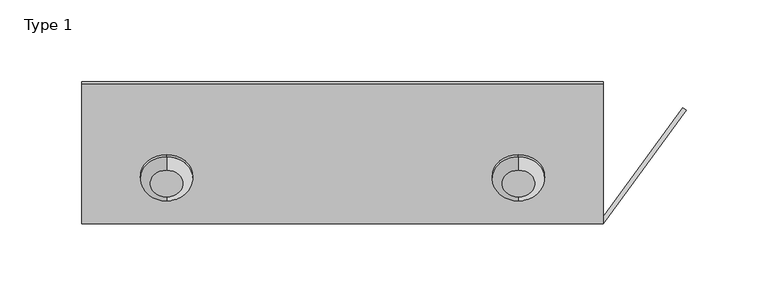
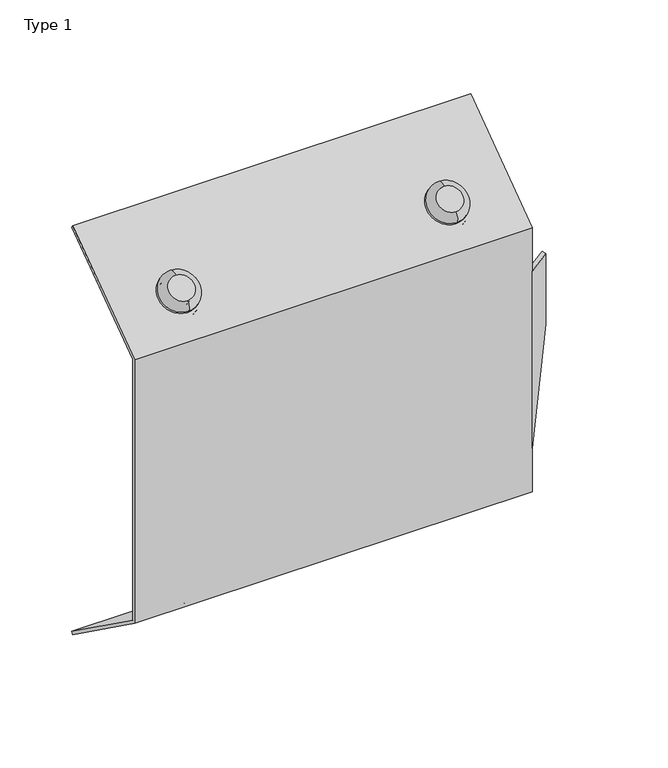
"""IFC4 building model written with IfcOpenShell, lengths in millimetres: proxy geometry, Type 1."""

from ifc_helpers import new_model, si_unit, point, frame, origin, place, context, project, spatial, polyline, circle_curve, ellipse_curve, trimmed, source, transform, mapped, element, save
from ifc_brep_helpers import plane_surface, cylinder_surface, revolved_surface, advanced_brep


def type_1_75f465eb(model_context):
    return source(origin(), model_context, "Body", "AdvancedBrep", [
        advanced_brep(
        [(-108.0, -66.6266077, 416.7690199), (-108.0, -37.4268403, 437.8254579), (-100.0, -42.0043853, 434.5245141), (-116.0, -42.0043853, 434.5245141), (-124.0, -50.810067, 428.1745905), (-116.0, -62.0490628, 420.0699637), (-100.0, -62.0490628, 420.0699637), (-92.0, -52.026724, 427.2972389), (-108.0, -67.7964099, 418.3912292), (-108.0, -38.5966424, 439.4476672), (-108.0, -62.5242296, 422.193086), (-108.0, -43.8688226, 435.6458103), (-108.0, -42.6990205, 434.023601), (-108.0, -61.3544275, 420.5708767), (-108.0, -46.8020265, 402.9550423), (-108.0, -30.5799334, 414.6530634), (-108.0, -35.7270627, 421.7907843), (-108.0, -51.9491558, 410.0927632), (-108.0, -64.3490581, 427.2881818), (-108.0, -60.1377705, 421.4482283), (-108.0, -43.9156775, 433.1462494), (-108.0, -48.1269651, 438.9862029), (-116.0, -33.8157705, 423.1690489), (-100.0, -33.8157705, 423.1690489), (-92.0, -43.8381092, 415.9417738), (-100.0, -53.860448, 408.7144986), (-116.0, -53.860448, 408.7144986), (-124.0, -42.6214523, 416.8191253), (-108.0, -52.8061736, 445.4750401), (-108.0, -69.0282666, 433.777019), (-108.0, -69.215686, 423.7787755), (-108.0, -43.2603372, 442.4956093), (-108.0, -44.4301393, 444.1178186), (-108.0, -70.3854882, 425.4009848)],
        [
            (0, 1, circle_curve(frame((-108.0, -52.026724, 427.2972389), z_axis=(0.0, 0.5849010554194636, -0.8111046513053649), x_axis=(0.0, 0.8111046513053649, 0.5849010554194636)), 18.0)),
            (1, 0, circle_curve(frame((-108.0, -52.026724, 427.2972389), z_axis=(0.0, 0.5849010554194636, -0.8111046513053649), x_axis=(0.0, 0.8111046513053649, 0.5849010554194636)), 18.0)),
            (2, 3),
            (3, 4),
            (4, 5),
            (5, 6),
            (6, 7),
            (7, 2),
            (8, 9, circle_curve(frame((-108.0, -53.1965261, 428.9194482), z_axis=(0.0, -0.5849010554194636, 0.8111046513053649), x_axis=(0.0, 0.8111046513053649, 0.5849010554194636)), 18.0)),
            (9, 8, circle_curve(frame((-108.0, -53.1965261, 428.9194482), z_axis=(0.0, -0.5849010554194636, 0.8111046513053649), x_axis=(0.0, 0.8111046513053649, 0.5849010554194636)), 18.0)),
            (10, 11, circle_curve(frame((-108.0, -53.1965261, 428.9194482), z_axis=(0.0, 0.5849010554194636, -0.8111046513053649), x_axis=(0.0, 0.8111046513053649, 0.5849010554194636)), 11.5)),
            (11, 10, circle_curve(frame((-108.0, -53.1965261, 428.9194482), z_axis=(0.0, 0.5849010554194636, -0.8111046513053649), x_axis=(0.0, 0.8111046513053649, 0.5849010554194636)), 11.5)),
            (0, 8),
            (9, 1),
            (11, 12),
            (12, 13, circle_curve(frame((-108.0, -52.026724, 427.2972389), z_axis=(0.0, 0.5849010554194636, -0.8111046513053649), x_axis=(0.0, 0.8111046513053649, 0.5849010554194636)), 11.5)),
            (13, 10),
            (13, 12, circle_curve(frame((-108.0, -52.026724, 427.2972389), z_axis=(0.0, 0.5849010554194636, -0.8111046513053649), x_axis=(0.0, 0.8111046513053649, 0.5849010554194636)), 11.5)),
            (14, 15, circle_curve(frame((-108.0, -38.69098, 408.8040528), z_axis=(0.0, 0.5849010554194639, -0.8111046513053647), x_axis=(0.0, 0.8111046513053647, 0.5849010554194639)), 10.0)),
            (15, 14, circle_curve(frame((-108.0, -38.69098, 408.8040528), z_axis=(0.0, 0.5849010554194639, -0.8111046513053647), x_axis=(0.0, 0.8111046513053647, 0.5849010554194639)), 10.0)),
            (15, 16),
            (16, 17, circle_curve(frame((-108.0, -43.8381092, 415.9417738), z_axis=(0.0, 0.5849010554194639, -0.8111046513053647), x_axis=(0.0, 0.8111046513053647, 0.5849010554194639)), 10.0)),
            (17, 14),
            (18, 19),
            (19, 20, circle_curve(frame((-108.0, -52.026724, 427.2972389), z_axis=(0.0, -0.5849010554194639, 0.8111046513053647), x_axis=(0.0, 0.8111046513053647, 0.5849010554194639)), 10.0)),
            (20, 21),
            (21, 18, circle_curve(frame((-108.0, -56.2380116, 433.1371924), z_axis=(0.0, 0.5849010554194639, -0.8111046513053647), x_axis=(0.0, 0.8111046513053647, 0.5849010554194639)), 10.0)),
            (17, 16, circle_curve(frame((-108.0, -43.8381092, 415.9417738), z_axis=(0.0, 0.5849010554194639, -0.8111046513053647), x_axis=(0.0, 0.8111046513053647, 0.5849010554194639)), 10.0)),
            (18, 21, circle_curve(frame((-108.0, -56.2380116, 433.1371924), z_axis=(0.0, 0.5849010554194639, -0.8111046513053647), x_axis=(0.0, 0.8111046513053647, 0.5849010554194639)), 10.0)),
            (20, 19, circle_curve(frame((-108.0, -52.026724, 427.2972389), z_axis=(0.0, -0.5849010554194639, 0.8111046513053647), x_axis=(0.0, 0.8111046513053647, 0.5849010554194639)), 10.0)),
            (22, 23),
            (23, 24),
            (24, 25),
            (25, 26),
            (26, 27),
            (27, 22),
            (22, 3),
            (2, 23),
            (7, 24),
            (6, 25),
            (5, 26),
            (4, 27),
            (28, 29, circle_curve(frame((-108.0, -60.9172201, 439.6260296), z_axis=(0.0, -0.5849010554194639, 0.8111046513053647), x_axis=(0.0, -0.8111046513053647, -0.5849010554194639)), 10.0)),
            (29, 28, circle_curve(frame((-108.0, -60.9172201, 439.6260296), z_axis=(0.0, -0.5849010554194639, 0.8111046513053647), x_axis=(0.0, 0.8111046513053647, 0.5849010554194639)), 10.0)),
            (30, 31, circle_curve(frame((-108.0, -56.2380116, 433.1371924), z_axis=(0.0, 0.5849010554194639, -0.8111046513053647), x_axis=(0.0, 0.8111046513053647, 0.5849010554194639)), 16.0)),
            (31, 30, circle_curve(frame((-108.0, -56.2380116, 433.1371924), z_axis=(0.0, 0.5849010554194639, -0.8111046513053647), x_axis=(0.0, 0.8111046513053647, 0.5849010554194639)), 16.0)),
            (31, 32),
            (32, 33, circle_curve(frame((-108.0, -57.4078137, 434.7594017), z_axis=(0.0, 0.5849010554194639, -0.8111046513053647), x_axis=(0.0, 0.8111046513053647, 0.5849010554194639)), 16.0)),
            (33, 30),
            (33, 32, circle_curve(frame((-108.0, -57.4078137, 434.7594017), z_axis=(0.0, 0.5849010554194639, -0.8111046513053647), x_axis=(0.0, 0.8111046513053647, 0.5849010554194639)), 16.0)),
            (28, 32, circle_curve(frame((-108.0, -49.2967672, 440.6084122), z_axis=(-1.0, 0.0, 0.0), x_axis=(0.0, 0.8111046513053647, 0.5849010554194639)), 6.0)),
            (33, 29, circle_curve(frame((-108.0, -65.5188602, 428.9103911), z_axis=(-1.0, 0.0, 0.0), x_axis=(0.0, -0.8111046513053647, -0.5849010554194639)), 6.0)),
        ],
        [
            plane_surface(frame((-108.0, -37.4268403, 437.8254579), z_axis=(0.0, 0.5849010554194636, -0.8111046513053649), x_axis=(1.0, 0.0, 0.0))),
            plane_surface(frame((-108.0, -38.5966424, 439.4476672), z_axis=(0.0, -0.5849010554194636, 0.8111046513053649), x_axis=(-1.0, 0.0, 0.0))),
            cylinder_surface(frame((-108.0, -53.1965261, 428.9194482), z_axis=(0.0, 0.5849010554194636, -0.8111046513053649), x_axis=(0.0, 0.8111046513053649, 0.5849010554194636)), 18.0),
            revolved_surface(polyline([(-108.0, -43.86882264363655, 435.6458103130595), (-108.0, -42.69902051142681, 434.023600980813)]), (-108.0, -54.7172689, 431.0283203), (0.0, -0.5849010554194636, 0.8111046513053649)),
            plane_surface(frame((-108.0, -30.5799334, 414.6530634), z_axis=(0.0, 0.5849010554194639, -0.8111046513053647), x_axis=(1.0, 0.0, 0.0))),
            cylinder_surface(frame((-108.0, -38.69098, 408.8040528), z_axis=(0.0, -0.5849010554194639, 0.8111046513053647), x_axis=(0.0, 0.8111046513053647, 0.5849010554194639)), 10.0),
            plane_surface(frame((-116.0, -33.8157705, 423.1690489), z_axis=(0.0, 0.5849010554194636, -0.8111046513053649), x_axis=(1.0, 0.0, 0.0))),
            plane_surface(frame((-116.0, -42.0043853, 434.5245141), z_axis=(0.0, -0.5849010554194636, 0.8111046513053649), x_axis=(-1.0, 0.0, 0.0))),
            plane_surface(frame((-116.0, -33.8157705, 423.1690489), z_axis=(0.0, 0.8111046513053654, 0.584901055419463), x_axis=(0.0, -0.584901055419463, 0.8111046513053654))),
            plane_surface(frame((-100.0, -33.8157705, 423.1690489), z_axis=(0.839425175405444, 0.440815323690016, 0.3178792621351795), x_axis=(0.0, -0.584901055419463, 0.8111046513053654))),
            plane_surface(frame((-92.0, -43.8381092, 415.9417738), z_axis=(0.8394251754054658, -0.44081532368998744, -0.3178792621351617), x_axis=(0.0, -0.5849010554194634, 0.811104651305365))),
            plane_surface(frame((-100.0, -53.860448, 408.7144986), z_axis=(0.0, -0.8111046513053654, -0.584901055419463), x_axis=(0.0, -0.584901055419463, 0.8111046513053654))),
            plane_surface(frame((-116.0, -53.860448, 408.7144986), z_axis=(-0.8660254037844326, -0.4055523256526917, -0.2924505277097368), x_axis=(0.0, -0.584901055419463, 0.8111046513053654))),
            plane_surface(frame((-124.0, -42.6214523, 416.8191253), z_axis=(-0.8050366218513985, 0.4811676503288578, 0.34697799606761004), x_axis=(0.0, -0.5849010554194634, 0.811104651305365))),
            plane_surface(frame((-108.0, -47.9395456, 448.9844465), z_axis=(0.0, -0.5849010554194639, 0.8111046513053647), x_axis=(-1.0, 0.0, 0.0))),
            plane_surface(frame((-108.0, -43.2603372, 442.4956093), z_axis=(0.0, 0.5849010554194639, -0.8111046513053647), x_axis=(1.0, 0.0, 0.0))),
            cylinder_surface(frame((-108.0, -56.2380116, 433.1371924), z_axis=(0.0, -0.5849010554194639, 0.8111046513053647), x_axis=(0.0, 0.8111046513053647, 0.5849010554194639)), 16.0),
            revolved_surface(trimmed(ellipse_curve(frame((-108.0, -65.5188602, 428.9103911), z_axis=(1.0, 0.0, 0.0), x_axis=(0.0, -0.8111046513053647, -0.5849010554194639)), 6.0, 6.0), [point((-108.0, -69.0282666, 433.777019))], [point((-108.0, -70.3854882, 425.4009848))], True, "CARTESIAN"), (-108.0, -60.9172201, 439.6260296), (0.0, 0.5849010554194639, -0.8111046513053647)),
            revolved_surface(trimmed(ellipse_curve(frame((-108.0, -49.2967672, 440.6084122), z_axis=(-1.0, 0.0, 0.0), x_axis=(0.0, 0.8111046513053646, 0.584901055419464)), 6.0, 6.0), [point((-108.0, -52.8061736, 445.4750401))], [point((-108.0, -44.4301393, 444.1178186))], True, "CARTESIAN"), (-108.0, -60.9172201, 439.6260296), (0.0, 0.5849010554194639, -0.8111046513053647)),
        ],
        [
            (0, [[1, 2], [3, 4, 5, 6, 7, 8]]),
            (1, [[9, 10], [11, 12]]),
            (2, [[-1, 13, -10, 14]]),
            (2, [[-2, -14, -9, -13]]),
            (3, [[-12, 15, 16, 17]]),
            (3, [[-11, -17, 18, -15]]),
            (4, [[19, 20]]),
            (5, [[-20, 21, 22, 23]]),
            (5, [[24, 25, 26, 27]]),
            (5, [[-19, -23, 28, -21]]),
            (5, [[-24, 29, -26, 30]]),
            (6, [[31, 32, 33, 34, 35, 36], [-22, -28]]),
            (7, [[-16, -18], [-25, -30]]),
            (8, [[-31, 37, -3, 38]]),
            (9, [[-32, -38, -8, 39]]),
            (10, [[-33, -39, -7, 40]]),
            (11, [[-34, -40, -6, 41]]),
            (12, [[-35, -41, -5, 42]]),
            (13, [[-36, -42, -4, -37]]),
            (14, [[43, 44]]),
            (15, [[45, 46], [-27, -29]]),
            (16, [[-46, 47, 48, 49]]),
            (16, [[-45, -49, 50, -47]]),
            (17, [[51, -50, 52, -43]]),
            (18, [[-51, -44, -52, -48]]),
        ],
    ),
        advanced_brep(
        [(107.5025487, -66.6266077, 416.7690199), (107.5025487, -37.4268403, 437.8254579), (102.0302265, -64.2217489, 418.5032036), (117.7871505, -61.9681994, 420.1282756), (123.2594728, -49.7731745, 428.9223109), (112.974871, -39.8316991, 436.0912742), (97.217947, -42.0852486, 434.4662021), (91.7456247, -54.2802735, 425.6721668), (107.5025487, -67.7964099, 418.3912292), (107.5025487, -38.5966424, 439.4476672), (107.5025487, -45.0854796, 434.7684587), (107.5025487, -61.3075726, 423.0704376), (107.5025487, -46.8020265, 402.9550423), (107.5025487, -30.5799334, 414.6530634), (117.7871505, -53.7795846, 408.7728105), (102.0302265, -56.0331341, 407.1477385), (91.7456247, -46.0916588, 414.3167017), (97.217947, -33.8966339, 423.110737), (112.974871, -31.6430844, 424.735809), (123.2594728, -41.5845597, 417.5668458), (107.5025487, -51.9491558, 410.0927632), (107.5025487, -35.7270627, 421.7907843), (107.5025487, -52.8061736, 445.4750401), (107.5025487, -69.0282666, 433.777019), (107.5025487, -69.215686, 423.7787755), (107.5025487, -43.2603372, 442.4956093), (107.5025487, -64.3490581, 427.2881818), (107.5025487, -48.1269651, 438.9862029), (107.5025487, -44.4301393, 444.1178186), (107.5025487, -70.3854882, 425.4009848)],
        [
            (0, 1, circle_curve(frame((107.5025487, -52.026724, 427.2972389), z_axis=(0.0, 0.5849010554194636, -0.8111046513053649), x_axis=(0.0, 0.8111046513053649, 0.5849010554194636)), 18.0)),
            (1, 0, circle_curve(frame((107.5025487, -52.026724, 427.2972389), z_axis=(0.0, 0.5849010554194636, -0.8111046513053649), x_axis=(0.0, 0.8111046513053649, 0.5849010554194636)), 18.0)),
            (2, 3),
            (3, 4),
            (4, 5),
            (5, 6),
            (6, 7),
            (7, 2),
            (8, 9, circle_curve(frame((107.5025487, -53.1965261, 428.9194482), z_axis=(0.0, -0.5849010554194636, 0.8111046513053649), x_axis=(0.0, 0.8111046513053649, 0.5849010554194636)), 18.0)),
            (9, 8, circle_curve(frame((107.5025487, -53.1965261, 428.9194482), z_axis=(0.0, -0.5849010554194636, 0.8111046513053649), x_axis=(0.0, 0.8111046513053649, 0.5849010554194636)), 18.0)),
            (10, 11, circle_curve(frame((107.5025487, -53.1965261, 428.9194482), z_axis=(0.0, 0.5849010554194639, -0.8111046513053647), x_axis=(0.0, 0.8111046513053647, 0.5849010554194639)), 10.0)),
            (11, 10, circle_curve(frame((107.5025487, -53.1965261, 428.9194482), z_axis=(0.0, 0.5849010554194639, -0.8111046513053647), x_axis=(0.0, 0.8111046513053647, 0.5849010554194639)), 10.0)),
            (12, 13, circle_curve(frame((107.5025487, -38.69098, 408.8040528), z_axis=(0.0, 0.5849010554194639, -0.8111046513053647), x_axis=(0.0, 0.8111046513053647, 0.5849010554194639)), 10.0)),
            (13, 12, circle_curve(frame((107.5025487, -38.69098, 408.8040528), z_axis=(0.0, 0.5849010554194639, -0.8111046513053647), x_axis=(0.0, 0.8111046513053647, 0.5849010554194639)), 10.0)),
            (14, 15),
            (15, 16),
            (16, 17),
            (17, 18),
            (18, 19),
            (19, 14),
            (20, 21, circle_curve(frame((107.5025487, -43.8381092, 415.9417738), z_axis=(0.0, -0.5849010554194639, 0.8111046513053647), x_axis=(0.0, 0.8111046513053647, 0.5849010554194639)), 10.0)),
            (21, 20, circle_curve(frame((107.5025487, -43.8381092, 415.9417738), z_axis=(0.0, -0.5849010554194639, 0.8111046513053647), x_axis=(0.0, 0.8111046513053647, 0.5849010554194639)), 10.0)),
            (22, 23, circle_curve(frame((107.5025487, -60.9172201, 439.6260296), z_axis=(0.0, -0.5849010554194639, 0.8111046513053647), x_axis=(0.0, -0.8111046513053647, -0.5849010554194639)), 10.0)),
            (23, 22, circle_curve(frame((107.5025487, -60.9172201, 439.6260296), z_axis=(0.0, -0.5849010554194639, 0.8111046513053647), x_axis=(0.0, 0.8111046513053647, 0.5849010554194639)), 10.0)),
            (24, 25, circle_curve(frame((107.5025487, -56.2380116, 433.1371924), z_axis=(0.0, 0.5849010554194639, -0.8111046513053647), x_axis=(0.0, 0.8111046513053647, 0.5849010554194639)), 16.0)),
            (25, 24, circle_curve(frame((107.5025487, -56.2380116, 433.1371924), z_axis=(0.0, 0.5849010554194639, -0.8111046513053647), x_axis=(0.0, 0.8111046513053647, 0.5849010554194639)), 16.0)),
            (26, 27, circle_curve(frame((107.5025487, -56.2380116, 433.1371924), z_axis=(0.0, -0.5849010554194639, 0.8111046513053647), x_axis=(0.0, 0.8111046513053647, 0.5849010554194639)), 10.0)),
            (27, 26, circle_curve(frame((107.5025487, -56.2380116, 433.1371924), z_axis=(0.0, -0.5849010554194639, 0.8111046513053647), x_axis=(0.0, 0.8111046513053647, 0.5849010554194639)), 10.0)),
            (13, 21),
            (20, 12),
            (10, 27),
            (26, 11),
            (0, 8),
            (9, 1),
            (14, 3),
            (2, 15),
            (7, 16),
            (6, 17),
            (5, 18),
            (4, 19),
            (25, 28),
            (28, 29, circle_curve(frame((107.5025487, -57.4078137, 434.7594017), z_axis=(0.0, 0.5849010554194639, -0.8111046513053647), x_axis=(0.0, 0.8111046513053647, 0.5849010554194639)), 16.0)),
            (29, 24),
            (29, 28, circle_curve(frame((107.5025487, -57.4078137, 434.7594017), z_axis=(0.0, 0.5849010554194639, -0.8111046513053647), x_axis=(0.0, 0.8111046513053647, 0.5849010554194639)), 16.0)),
            (22, 28, circle_curve(frame((107.5025487, -49.2967672, 440.6084122), z_axis=(-1.0, 0.0, 0.0), x_axis=(0.0, 0.8111046513053647, 0.5849010554194639)), 6.0)),
            (29, 23, circle_curve(frame((107.5025487, -65.5188602, 428.9103911), z_axis=(-1.0, 0.0, 0.0), x_axis=(0.0, -0.8111046513053647, -0.5849010554194639)), 6.0)),
        ],
        [
            plane_surface(frame((-108.0, -37.4268403, 437.8254579), z_axis=(0.0, 0.5849010554194636, -0.8111046513053649), x_axis=(1.0, 0.0, 0.0))),
            plane_surface(frame((-108.0, -38.5966424, 439.4476672), z_axis=(0.0, -0.5849010554194636, 0.8111046513053649), x_axis=(-1.0, 0.0, 0.0))),
            plane_surface(frame((-108.0, -30.5799334, 414.6530634), z_axis=(0.0, 0.5849010554194639, -0.8111046513053647), x_axis=(1.0, 0.0, 0.0))),
            plane_surface(frame((-116.0, -33.8157705, 423.1690489), z_axis=(0.0, 0.5849010554194636, -0.8111046513053649), x_axis=(1.0, 0.0, 0.0))),
            plane_surface(frame((-108.0, -47.9395456, 448.9844465), z_axis=(0.0, -0.5849010554194639, 0.8111046513053647), x_axis=(-1.0, 0.0, 0.0))),
            plane_surface(frame((-108.0, -43.2603372, 442.4956093), z_axis=(0.0, 0.5849010554194639, -0.8111046513053647), x_axis=(1.0, 0.0, 0.0))),
            cylinder_surface(frame((107.5025487, -56.2380116, 433.1371924), z_axis=(0.0, -0.5849010554194639, 0.8111046513053647), x_axis=(0.0, 0.8111046513053647, 0.5849010554194639)), 10.0),
            cylinder_surface(frame((107.5025487, -54.7172689, 431.0283203), z_axis=(0.0, 0.5849010554194636, -0.8111046513053649), x_axis=(0.0, 0.8111046513053649, 0.5849010554194636)), 18.0),
            plane_surface(frame((117.7871505, -53.7795846, 408.7728105), z_axis=(0.17364817766693214, -0.7987821491097871, -0.5760150941221104), x_axis=(0.0, -0.584901055419463, 0.8111046513053654))),
            plane_surface(frame((102.0302265, -56.0331341, 407.1477385), z_axis=(-0.7660444431189768, -0.5213680200182118, -0.37596715131621056), x_axis=(0.0, -0.5849010554194626, 0.8111046513053656))),
            plane_surface(frame((91.7456247, -46.0916588, 414.3167017), z_axis=(-0.9396926207859099, 0.27741412909157365, 0.2000479428058982), x_axis=(0.0, -0.584901055419463, 0.8111046513053654))),
            plane_surface(frame((97.217947, -33.8966339, 423.110737), z_axis=(-0.17364817766693721, 0.7987821491097862, 0.5760150941221102), x_axis=(0.0, -0.5849010554194632, 0.8111046513053652))),
            plane_surface(frame((112.974871, -31.6430844, 424.735809), z_axis=(0.7660444431189734, 0.5213680200182149, 0.37596715131621306), x_axis=(0.0, -0.5849010554194628, 0.8111046513053655))),
            plane_surface(frame((123.2594728, -41.5845597, 417.5668458), z_axis=(0.9396926207859093, -0.277414129091575, -0.20004794280589916), x_axis=(0.0, -0.584901055419463, 0.8111046513053654))),
            cylinder_surface(frame((107.5025487, -56.2380116, 433.1371924), z_axis=(0.0, -0.5849010554194639, 0.8111046513053647), x_axis=(0.0, 0.8111046513053647, 0.5849010554194639)), 16.0),
            revolved_surface(trimmed(ellipse_curve(frame((107.5025487, -65.5188602, 428.9103911), z_axis=(1.0, 0.0, 0.0), x_axis=(0.0, -0.8111046513053647, -0.5849010554194639)), 6.0, 6.0), [point((107.5025487, -69.0282666, 433.777019))], [point((107.5025487, -70.3854882, 425.4009848))], True, "CARTESIAN"), (107.5025487, -60.9172201, 439.6260296), (0.0, 0.5849010554194639, -0.8111046513053647)),
            revolved_surface(trimmed(ellipse_curve(frame((107.5025487, -49.2967672, 440.6084122), z_axis=(-1.0, 0.0, 0.0), x_axis=(0.0, 0.8111046513053646, 0.584901055419464)), 6.0, 6.0), [point((107.5025487, -52.8061736, 445.4750401))], [point((107.5025487, -44.4301393, 444.1178186))], True, "CARTESIAN"), (107.5025487, -60.9172201, 439.6260296), (0.0, 0.5849010554194639, -0.8111046513053647)),
        ],
        [
            (0, [[1, 2], [3, 4, 5, 6, 7, 8]]),
            (1, [[9, 10], [11, 12]]),
            (2, [[13, 14]]),
            (3, [[15, 16, 17, 18, 19, 20], [21, 22]]),
            (4, [[23, 24]]),
            (5, [[25, 26], [27, 28]]),
            (6, [[-14, 29, -21, 30]]),
            (6, [[31, -27, 32, -11]]),
            (6, [[-13, -30, -22, -29]]),
            (6, [[-31, -12, -32, -28]]),
            (7, [[-1, 33, -10, 34]]),
            (7, [[-2, -34, -9, -33]]),
            (8, [[-15, 35, -3, 36]]),
            (9, [[-16, -36, -8, 37]]),
            (10, [[-17, -37, -7, 38]]),
            (11, [[-18, -38, -6, 39]]),
            (12, [[-19, -39, -5, 40]]),
            (13, [[-20, -40, -4, -35]]),
            (14, [[-26, 41, 42, 43]]),
            (14, [[-25, -43, 44, -41]]),
            (15, [[45, -44, 46, -23]]),
            (16, [[-45, -24, -46, -42]]),
        ],
    ),
        advanced_brep(
        [(159.5025487, -83.0, 410.6331724), (159.5025487, 1.5207427, 471.5824859), (159.5025487, 0.0, 473.691358), (159.5025487, -85.6, 411.9637742), (159.5025487, -85.6, 375.3164769), (159.5025487, -83.0, 375.3164769), (159.5025487, -85.6, 187.9969633), (159.5025487, 0.0, 126.3278397), (159.5025487, 1.5197948, 128.4373951), (159.5025487, -83.0, 189.3283024), (159.5025487, -83.0, 224.6835231), (159.5025487, -85.6, 224.6835231), (-160.0, -83.0, 410.6331724), (-160.0, -83.0, 189.3283024), (-160.0, 1.5197948, 128.4373951), (-160.0, 0.0, 126.3278397), (-160.0, -85.6, 187.9969633), (-160.0, -85.6, 411.9637742), (-160.0, 0.0, 473.691358), (-160.0, 1.5207427, 471.5824859), (-111.0, -64.0449724, 424.3019581), (-105.0, -64.0449724, 424.3019581), (-93.5, -54.7172689, 431.0283203), (-105.0, -45.3895654, 437.7546824), (-111.0, -45.3895654, 437.7546824), (-122.5, -54.7172689, 431.0283203), (104.5025487, -64.0449724, 424.3019581), (110.5025487, -64.0449724, 424.3019581), (122.0025487, -54.7172689, 431.0283203), (110.5025487, -45.3895654, 437.7546824), (104.5025487, -45.3895654, 437.7546824), (93.0025487, -54.7172689, 431.0283203), (-105.0, -65.5657151, 426.4108302), (-111.0, -65.5657151, 426.4108302), (-122.5, -56.2380116, 433.1371924), (-111.0, -46.9103081, 439.8635545), (-105.0, -46.9103081, 439.8635545), (-93.5, -56.2380116, 433.1371924), (110.5025487, -65.5657151, 426.4108302), (104.5025487, -65.5657151, 426.4108302), (93.0025487, -56.2380116, 433.1371924), (104.5025487, -46.9103081, 439.8635545), (110.5025487, -46.9103081, 439.8635545), (122.0025487, -56.2380116, 433.1371924), (-105.0, -65.5592239, 173.5589131), (-93.5, -56.2284982, 166.836744), (-105.0, -46.8977725, 160.1145748), (-111.0, -46.8977725, 160.1145748), (-122.5, -56.2284982, 166.836744), (-111.0, -65.5592239, 173.5589131), (110.5025487, -46.8977725, 160.1145748), (104.5025487, -46.8977725, 160.1145748), (93.0025487, -56.2284982, 166.836744), (104.5025487, -65.5592239, 173.5589131), (110.5025487, -65.5592239, 173.5589131), (122.0025487, -56.2284982, 166.836744), (-93.5, -54.7087034, 168.9462993), (-105.0, -64.0394291, 175.6684685), (-111.0, -64.0394291, 175.6684685), (-122.5, -54.7087034, 168.9462993), (-111.0, -45.3779777, 162.2241302), (-105.0, -45.3779777, 162.2241302), (104.5025487, -45.3779777, 162.2241302), (110.5025487, -45.3779777, 162.2241302), (122.0025487, -54.7087034, 168.9462993), (110.5025487, -64.0394291, 175.6684685), (104.5025487, -64.0394291, 175.6684685), (93.0025487, -54.7087034, 168.9462993), (208.2618679, -14.5314558, 268.1300861), (159.5025487, -81.1958778, 224.6835231), (159.5025487, -81.1958778, 375.3164769), (208.2618679, -14.5314558, 331.8699139), (210.3604397, -16.0663814, 270.0), (210.3604397, -16.0663814, 330.0)],
        [
            (0, 1),
            (1, 2),
            (2, 3),
            (3, 4),
            (4, 5),
            (5, 0),
            (6, 7),
            (7, 8),
            (8, 9),
            (9, 10),
            (10, 11),
            (11, 6),
            (12, 13),
            (13, 14),
            (14, 15),
            (15, 16),
            (16, 17),
            (17, 18),
            (18, 19),
            (19, 12),
            (0, 12),
            (19, 1),
            (20, 21),
            (21, 22, circle_curve(frame((-105.0, -54.7172689, 431.0283203), z_axis=(0.0, -0.5849010554194639, 0.8111046513053647), x_axis=(0.0, -0.8111046513053647, -0.5849010554194639)), 11.5)),
            (22, 23, circle_curve(frame((-105.0, -54.7172689, 431.0283203), z_axis=(0.0, -0.5849010554194639, 0.8111046513053647), x_axis=(0.0, -0.8111046513053647, -0.5849010554194639)), 11.5)),
            (23, 24),
            (24, 25, circle_curve(frame((-111.0, -54.7172689, 431.0283203), z_axis=(0.0, -0.5849010554194639, 0.8111046513053647), x_axis=(0.0, -0.8111046513053647, -0.5849010554194639)), 11.5)),
            (25, 20, circle_curve(frame((-111.0, -54.7172689, 431.0283203), z_axis=(0.0, -0.5849010554194639, 0.8111046513053647), x_axis=(0.0, -0.8111046513053647, -0.5849010554194639)), 11.5)),
            (26, 27),
            (27, 28, circle_curve(frame((110.5025487, -54.7172689, 431.0283203), z_axis=(0.0, -0.5849010554194639, 0.8111046513053647), x_axis=(0.0, -0.8111046513053647, -0.5849010554194639)), 11.5)),
            (28, 29, circle_curve(frame((110.5025487, -54.7172689, 431.0283203), z_axis=(0.0, -0.5849010554194639, 0.8111046513053647), x_axis=(0.0, -0.8111046513053647, -0.5849010554194639)), 11.5)),
            (29, 30),
            (30, 31, circle_curve(frame((104.5025487, -54.7172689, 431.0283203), z_axis=(0.0, -0.5849010554194639, 0.8111046513053647), x_axis=(0.0, -0.8111046513053647, -0.5849010554194639)), 11.5)),
            (31, 26, circle_curve(frame((104.5025487, -54.7172689, 431.0283203), z_axis=(0.0, -0.5849010554194639, 0.8111046513053647), x_axis=(0.0, -0.8111046513053647, -0.5849010554194639)), 11.5)),
            (2, 18),
            (17, 3),
            (32, 33),
            (33, 34, circle_curve(frame((-111.0, -56.2380116, 433.1371924), z_axis=(0.0, 0.5849010554194639, -0.8111046513053647), x_axis=(0.0, -0.8111046513053647, -0.5849010554194639)), 11.5)),
            (34, 35, circle_curve(frame((-111.0, -56.2380116, 433.1371924), z_axis=(0.0, 0.5849010554194639, -0.8111046513053647), x_axis=(0.0, -0.8111046513053647, -0.5849010554194639)), 11.5)),
            (35, 36),
            (36, 37, circle_curve(frame((-105.0, -56.2380116, 433.1371924), z_axis=(0.0, 0.5849010554194639, -0.8111046513053647), x_axis=(0.0, -0.8111046513053647, -0.5849010554194639)), 11.5)),
            (37, 32, circle_curve(frame((-105.0, -56.2380116, 433.1371924), z_axis=(0.0, 0.5849010554194639, -0.8111046513053647), x_axis=(0.0, -0.8111046513053647, -0.5849010554194639)), 11.5)),
            (38, 39),
            (39, 40, circle_curve(frame((104.5025487, -56.2380116, 433.1371924), z_axis=(0.0, 0.5849010554194639, -0.8111046513053647), x_axis=(0.0, -0.8111046513053647, -0.5849010554194639)), 11.5)),
            (40, 41, circle_curve(frame((104.5025487, -56.2380116, 433.1371924), z_axis=(0.0, 0.5849010554194639, -0.8111046513053647), x_axis=(0.0, -0.8111046513053647, -0.5849010554194639)), 11.5)),
            (41, 42),
            (42, 43, circle_curve(frame((110.5025487, -56.2380116, 433.1371924), z_axis=(0.0, 0.5849010554194639, -0.8111046513053647), x_axis=(0.0, -0.8111046513053647, -0.5849010554194639)), 11.5)),
            (43, 38, circle_curve(frame((110.5025487, -56.2380116, 433.1371924), z_axis=(0.0, 0.5849010554194639, -0.8111046513053647), x_axis=(0.0, -0.8111046513053647, -0.5849010554194639)), 11.5)),
            (16, 6),
            (11, 4),
            (15, 7),
            (44, 45, circle_curve(frame((-105.0, -56.2284982, 166.836744), z_axis=(0.0, 0.5845364452825441, 0.8113674532149089), x_axis=(0.0, 0.8113674532149089, -0.5845364452825441)), 11.5)),
            (45, 46, circle_curve(frame((-105.0, -56.2284982, 166.836744), z_axis=(0.0, 0.5845364452825441, 0.8113674532149089), x_axis=(0.0, 0.8113674532149089, -0.5845364452825441)), 11.5)),
            (46, 47),
            (47, 48, circle_curve(frame((-111.0, -56.2284982, 166.836744), z_axis=(0.0, 0.5845364452825441, 0.8113674532149089), x_axis=(0.0, 0.8113674532149089, -0.5845364452825441)), 11.5)),
            (48, 49, circle_curve(frame((-111.0, -56.2284982, 166.836744), z_axis=(0.0, 0.5845364452825441, 0.8113674532149089), x_axis=(0.0, 0.8113674532149089, -0.5845364452825441)), 11.5)),
            (49, 44),
            (50, 51),
            (51, 52, circle_curve(frame((104.5025487, -56.2284982, 166.836744), z_axis=(0.0, 0.5845364452825441, 0.8113674532149089), x_axis=(0.0, 0.8113674532149089, -0.5845364452825441)), 11.5)),
            (52, 53, circle_curve(frame((104.5025487, -56.2284982, 166.836744), z_axis=(0.0, 0.5845364452825441, 0.8113674532149089), x_axis=(0.0, 0.8113674532149089, -0.5845364452825441)), 11.5)),
            (53, 54),
            (54, 55, circle_curve(frame((110.5025487, -56.2284982, 166.836744), z_axis=(0.0, 0.5845364452825441, 0.8113674532149089), x_axis=(0.0, 0.8113674532149089, -0.5845364452825441)), 11.5)),
            (55, 50, circle_curve(frame((110.5025487, -56.2284982, 166.836744), z_axis=(0.0, 0.5845364452825441, 0.8113674532149089), x_axis=(0.0, 0.8113674532149089, -0.5845364452825441)), 11.5)),
            (8, 14),
            (13, 9),
            (56, 57, circle_curve(frame((-105.0, -54.7087034, 168.9462993), z_axis=(0.0, -0.5845364452825441, -0.8113674532149089), x_axis=(0.0, 0.8113674532149089, -0.5845364452825441)), 11.5)),
            (57, 58),
            (58, 59, circle_curve(frame((-111.0, -54.7087034, 168.9462993), z_axis=(0.0, -0.5845364452825441, -0.8113674532149089), x_axis=(0.0, 0.8113674532149089, -0.5845364452825441)), 11.5)),
            (59, 60, circle_curve(frame((-111.0, -54.7087034, 168.9462993), z_axis=(0.0, -0.5845364452825441, -0.8113674532149089), x_axis=(0.0, 0.8113674532149089, -0.5845364452825441)), 11.5)),
            (60, 61),
            (61, 56, circle_curve(frame((-105.0, -54.7087034, 168.9462993), z_axis=(0.0, -0.5845364452825441, -0.8113674532149089), x_axis=(0.0, 0.8113674532149089, -0.5845364452825441)), 11.5)),
            (62, 63),
            (63, 64, circle_curve(frame((110.5025487, -54.7087034, 168.9462993), z_axis=(0.0, -0.5845364452825441, -0.8113674532149089), x_axis=(0.0, 0.8113674532149089, -0.5845364452825441)), 11.5)),
            (64, 65, circle_curve(frame((110.5025487, -54.7087034, 168.9462993), z_axis=(0.0, -0.5845364452825441, -0.8113674532149089), x_axis=(0.0, 0.8113674532149089, -0.5845364452825441)), 11.5)),
            (65, 66),
            (66, 67, circle_curve(frame((104.5025487, -54.7087034, 168.9462993), z_axis=(0.0, -0.5845364452825441, -0.8113674532149089), x_axis=(0.0, 0.8113674532149089, -0.5845364452825441)), 11.5)),
            (67, 62, circle_curve(frame((104.5025487, -54.7087034, 168.9462993), z_axis=(0.0, -0.5845364452825441, -0.8113674532149089), x_axis=(0.0, 0.8113674532149089, -0.5845364452825441)), 11.5)),
            (5, 10),
            (68, 69),
            (69, 70),
            (70, 71),
            (71, 68),
            (72, 11),
            (10, 69),
            (68, 72),
            (4, 73),
            (73, 71),
            (70, 5),
            (72, 73),
            (20, 33),
            (32, 21),
            (25, 34),
            (24, 35),
            (23, 36),
            (22, 37),
            (26, 39),
            (38, 27),
            (31, 40),
            (30, 41),
            (29, 42),
            (28, 43),
            (56, 45),
            (44, 57),
            (61, 46),
            (60, 47),
            (59, 48),
            (58, 49),
            (62, 51),
            (50, 63),
            (67, 52),
            (66, 53),
            (65, 54),
            (64, 55),
        ],
        [
            plane_surface(frame((159.5025487, -71.8458867, 418.676589), z_axis=(1.0, 0.0, 0.0), x_axis=(0.0, 0.8111046513053651, 0.5849010554194634))),
            plane_surface(frame((-160.0, -71.8458867, 418.676589), z_axis=(-1.0, 0.0, 0.0), x_axis=(0.0, -0.8111046513053651, -0.5849010554194634))),
            plane_surface(frame((159.5025487, -83.0, 410.6331724), z_axis=(0.0, 0.5849010554194634, -0.8111046513053651), x_axis=(-1.0, 0.0, 0.0))),
            plane_surface(frame((159.5025487, 0.0, 473.691358), z_axis=(0.0, -0.584901055419464, 0.8111046513053647), x_axis=(-1.0, 0.0, 0.0))),
            plane_surface(frame((159.5025487, -85.6, 411.9637742), z_axis=(0.0, -1.0, 0.0), x_axis=(-1.0, 0.0, 0.0))),
            plane_surface(frame((159.5025487, -85.6, 187.9969633), z_axis=(0.0, -0.5845364452825442, -0.8113674532149089), x_axis=(-1.0, 0.0, 0.0))),
            plane_surface(frame((159.5025487, 1.5197948, 128.4373951), z_axis=(0.0, 0.5845364452825442, 0.8113674532149089), x_axis=(-1.0, 0.0, 0.0))),
            plane_surface(frame((159.5025487, -83.0, 189.3283024), z_axis=(0.0, 1.0, 0.0), x_axis=(-1.0, 0.0, 0.0))),
            plane_surface(frame((159.5025487, 1.5207427, 471.5824859), z_axis=(0.0, 0.811104651305374, 0.5849010554194511), x_axis=(-1.0, 0.0, 0.0))),
            plane_surface(frame((159.5025487, 0.0, 126.3278397), z_axis=(0.0, 0.8113674532149099, -0.5845364452825428), x_axis=(-1.0, 0.0, 0.0))),
            plane_surface(frame((208.2618679, -14.5314558, 224.6835231), z_axis=(-0.8071429763014644, 0.5903560076828336, 0.0), x_axis=(0.0, 0.0, 1.0))),
            plane_surface(frame((159.5025487, -85.6, 224.6835231), z_axis=(0.6652610345647216, 0.0, -0.7466108463516159), x_axis=(0.0, 1.0, 0.0))),
            plane_surface(frame((210.3604397, -85.6, 330.0), z_axis=(0.6652610345648446, 0.0, 0.7466108463515063), x_axis=(0.0, 1.0, 0.0))),
            plane_surface(frame((159.5025487, -85.6, 375.3164769), z_axis=(-1.0, 0.0, 0.0), x_axis=(0.0, 1.0, 0.0))),
            plane_surface(frame((159.5025487, -85.6, 224.6835231), z_axis=(0.8071429763014647, -0.5903560076828331, 0.0), x_axis=(0.0, 0.0, 1.0))),
            plane_surface(frame((210.3604397, -16.0663814, 224.6835231), z_axis=(0.5903560076828851, 0.8071429763014266, 0.0), x_axis=(0.0, 0.0, 1.0))),
            plane_surface(frame((-105.0, -64.0449724, 424.3019581), z_axis=(0.0, 0.8111046513053627, 0.5849010554194668), x_axis=(0.0, -0.5849010554194668, 0.8111046513053627))),
            revolved_surface(polyline([(-111.0, -64.04497233155338, 424.301958149358), (-111.0, -65.5657150900117, 426.41083026267614)]), (-111.0, -56.2380116, 433.1371924), (0.0, 0.5849010554194639, -0.8111046513053647)),
            revolved_surface(polyline([(-111.0, -64.04497233674675, 424.3019581565598), (-111.0, -65.5657150900117, 426.41083026267614)]), (-111.0, -56.2380116, 433.1371924), (0.0, 0.5849010554194639, -0.8111046513053647)),
            plane_surface(frame((-111.0, -45.3895654, 437.7546824), z_axis=(0.0, -0.8111046513053627, -0.5849010554194668), x_axis=(0.0, -0.5849010554194668, 0.8111046513053627))),
            revolved_surface(polyline([(-105.0, -64.04497233674675, 424.3019581565598), (-105.0, -65.5657150900117, 426.41083026267614)]), (-105.0, -56.2380116, 433.1371924), (0.0, 0.5849010554194639, -0.8111046513053647)),
            revolved_surface(polyline([(-105.0, -64.04497233155338, 424.301958149358), (-105.0, -65.5657150900117, 426.41083026267614)]), (-105.0, -56.2380116, 433.1371924), (0.0, 0.5849010554194639, -0.8111046513053647)),
            plane_surface(frame((110.5025487, -64.0449724, 424.3019581), z_axis=(0.0, 0.8111046513053611, 0.5849010554194689), x_axis=(0.0, -0.5849010554194689, 0.8111046513053611))),
            revolved_surface(polyline([(104.5025487, -64.04497233155338, 424.301958149358), (104.5025487, -65.5657150900117, 426.41083026267614)]), (104.5025487, -56.2380116, 433.1371924), (0.0, 0.5849010554194639, -0.8111046513053647)),
            revolved_surface(polyline([(104.5025487, -64.04497233674675, 424.3019581565598), (104.5025487, -65.5657150900117, 426.41083026267614)]), (104.5025487, -56.2380116, 433.1371924), (0.0, 0.5849010554194639, -0.8111046513053647)),
            plane_surface(frame((104.5025487, -45.3895654, 437.7546824), z_axis=(0.0, -0.8111046513053611, -0.5849010554194689), x_axis=(0.0, -0.5849010554194689, 0.8111046513053611))),
            revolved_surface(polyline([(110.5025487, -64.04497233674675, 424.3019581565598), (110.5025487, -65.5657150900117, 426.41083026267614)]), (110.5025487, -56.2380116, 433.1371924), (0.0, 0.5849010554194639, -0.8111046513053647)),
            revolved_surface(polyline([(110.5025487, -64.04497233155338, 424.301958149358), (110.5025487, -65.5657150900117, 426.41083026267614)]), (110.5025487, -56.2380116, 433.1371924), (0.0, 0.5849010554194639, -0.8111046513053647)),
            revolved_surface(polyline([(-105.0, -45.3779777113391, 162.22413028391983), (-105.0, -46.89777249377894, 160.11457487126893)]), (-105.0, -56.2284982, 166.836744), (0.0, 0.5845364452825441, 0.8113674532149089)),
            revolved_surface(polyline([(-105.0, -45.3779777472657, 162.2241302340518), (-105.0, -46.89777252970554, 160.1145748214009)]), (-105.0, -56.2284982, 166.836744), (0.0, 0.5845364452825441, 0.8113674532149089)),
            plane_surface(frame((-105.0, -45.3779777, 162.2241302), z_axis=(0.0, -0.8113674532149091, 0.584536445282544), x_axis=(0.0, -0.584536445282544, -0.8113674532149091))),
            revolved_surface(polyline([(-111.0, -45.3779777472657, 162.2241302340518), (-111.0, -46.89777252970554, 160.1145748214009)]), (-111.0, -56.2284982, 166.836744), (0.0, 0.5845364452825441, 0.8113674532149089)),
            revolved_surface(polyline([(-111.0, -45.3779777113391, 162.22413028391983), (-111.0, -46.89777249377894, 160.11457487126893)]), (-111.0, -56.2284982, 166.836744), (0.0, 0.5845364452825441, 0.8113674532149089)),
            plane_surface(frame((-111.0, -64.0394291, 175.6684685), z_axis=(0.0, 0.8113674532149091, -0.584536445282544), x_axis=(0.0, -0.584536445282544, -0.8113674532149091))),
            plane_surface(frame((110.5025487, -45.3779777, 162.2241302), z_axis=(0.0, -0.8113674532149074, 0.584536445282546), x_axis=(0.0, -0.584536445282546, -0.8113674532149074))),
            revolved_surface(polyline([(104.5025487, -45.3779777472657, 162.2241302340518), (104.5025487, -46.89777252970554, 160.1145748214009)]), (104.5025487, -56.2284982, 166.836744), (0.0, 0.5845364452825441, 0.8113674532149089)),
            revolved_surface(polyline([(104.5025487, -45.3779777113391, 162.22413028391983), (104.5025487, -46.89777249377894, 160.11457487126893)]), (104.5025487, -56.2284982, 166.836744), (0.0, 0.5845364452825441, 0.8113674532149089)),
            plane_surface(frame((104.5025487, -64.0394291, 175.6684685), z_axis=(0.0, 0.8113674532149074, -0.584536445282546), x_axis=(0.0, -0.584536445282546, -0.8113674532149074))),
            revolved_surface(polyline([(110.5025487, -45.3779777113391, 162.22413028391983), (110.5025487, -46.89777249377894, 160.11457487126893)]), (110.5025487, -56.2284982, 166.836744), (0.0, 0.5845364452825441, 0.8113674532149089)),
            revolved_surface(polyline([(110.5025487, -45.3779777472657, 162.2241302340518), (110.5025487, -46.89777252970554, 160.1145748214009)]), (110.5025487, -56.2284982, 166.836744), (0.0, 0.5845364452825441, 0.8113674532149089)),
        ],
        [
            (0, [[1, 2, 3, 4, 5, 6]]),
            (0, [[7, 8, 9, 10, 11, 12]]),
            (1, [[13, 14, 15, 16, 17, 18, 19, 20]]),
            (2, [[-1, 21, -20, 22], [23, 24, 25, 26, 27, 28], [29, 30, 31, 32, 33, 34]]),
            (3, [[-3, 35, -18, 36], [37, 38, 39, 40, 41, 42], [43, 44, 45, 46, 47, 48]]),
            (4, [[-17, 49, -12, 50, -4, -36]]),
            (5, [[-7, -49, -16, 51], [52, 53, 54, 55, 56, 57], [58, 59, 60, 61, 62, 63]]),
            (6, [[-9, 64, -14, 65], [66, 67, 68, 69, 70, 71], [72, 73, 74, 75, 76, 77]]),
            (7, [[-13, -21, -6, 78, -10, -65]]),
            (8, [[-2, -22, -19, -35]]),
            (9, [[-8, -51, -15, -64]]),
            (10, [[79, 80, 81, 82]]),
            (11, [[83, -11, 84, -79, 85]]),
            (12, [[86, 87, -81, 88, -5]]),
            (13, [[-78, -88, -80, -84]]),
            (14, [[89, -86, -50, -83]]),
            (15, [[-89, -85, -82, -87]]),
            (16, [[90, -37, 91, -23]]),
            (17, [[-90, -28, 92, -38]]),
            (18, [[-92, -27, 93, -39]]),
            (19, [[-93, -26, 94, -40]]),
            (20, [[-94, -25, 95, -41]]),
            (21, [[-91, -42, -95, -24]]),
            (22, [[96, -43, 97, -29]]),
            (23, [[-96, -34, 98, -44]]),
            (24, [[-98, -33, 99, -45]]),
            (25, [[-99, -32, 100, -46]]),
            (26, [[-100, -31, 101, -47]]),
            (27, [[-97, -48, -101, -30]]),
            (28, [[102, -52, 103, -66]]),
            (29, [[-102, -71, 104, -53]]),
            (30, [[-104, -70, 105, -54]]),
            (31, [[-105, -69, 106, -55]]),
            (32, [[-106, -68, 107, -56]]),
            (33, [[-103, -57, -107, -67]]),
            (34, [[108, -58, 109, -72]]),
            (35, [[-108, -77, 110, -59]]),
            (36, [[-110, -76, 111, -60]]),
            (37, [[-111, -75, 112, -61]]),
            (38, [[-112, -74, 113, -62]]),
            (39, [[-109, -63, -113, -73]]),
        ],
    ),
    ])


if __name__ == "__main__":
    model = new_model("IFC4")
    model_context = context("Model", 3, world=origin())
    ifc_project = project(units=[si_unit("LENGTHUNIT", "METRE", prefix="MILLI")], contexts=[model_context])
    site = spatial("IfcSite", under=ifc_project)
    building = spatial("IfcBuilding", under=site)
    placement = place(None, origin())
    type_1_shape = type_1_75f465eb(model_context)
    element("IfcBuildingElementProxy", 1, Name="Type 1", ObjectType="Type 1", at=placement, inside=building, context=model_context, shape_type="MappedRepresentation", body=[
        mapped(type_1_shape, transform((0.0, 0.0, 0.0), x_axis=(1.0, 0.0, 0.0), y_axis=(0.0, 1.0, 0.0), z_axis=(0.0, 0.0, 1.0))),
    ])
    save(model, "model.ifc")
